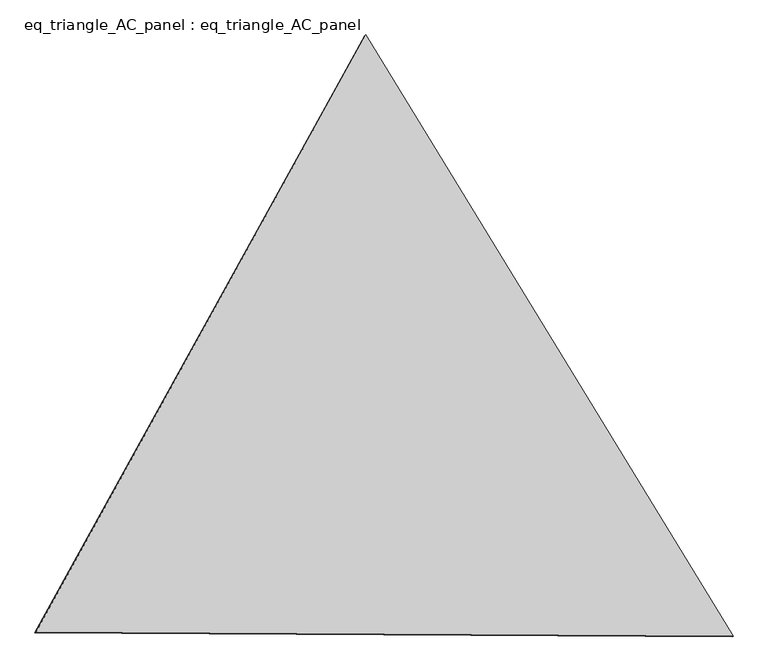
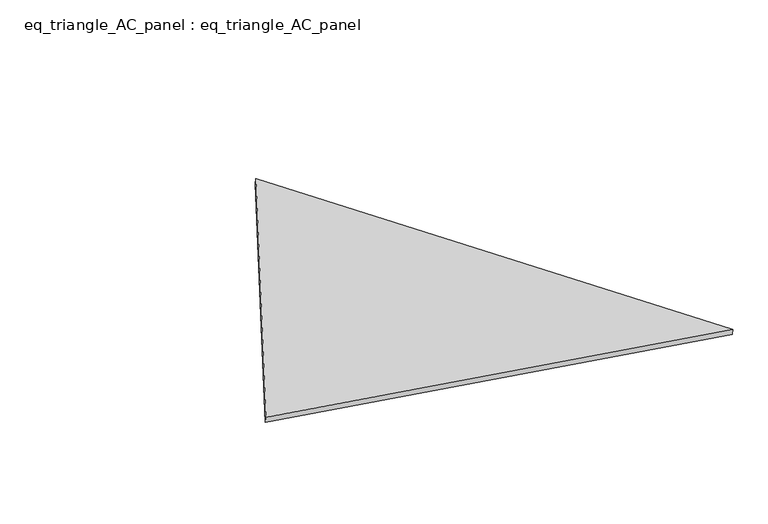
"""IFC4 building model written with IfcOpenShell, lengths in millimetres: proxy geometry, eq_triangle_AC_panel : eq_triangle_AC_panel."""

from ifc_helpers import new_model, si_unit, frame, origin, place, context, project, spatial, polyline, outline, extrude, source, transform, mapped, element, save


def eq_triangle_ac_panel_eq_triangle_ac_panel_093dcabe(model_context):
    return source(origin(), model_context, "Body", "SweptSolid", [
        extrude(outline(polyline([(-2032.8142607, 1173.1688095), (2091.3006324, 1173.1688096), (-58.4863717, -2346.3376192), (-2032.8142607, 1173.1688095)])), frame((-6.3631761, 524.2531996, 46.6143561), z_axis=(0.14526328518058193, 0.08386570281802191, 0.9858321976225894), x_axis=(0.5211221369016635, -0.853471867183543, -0.004182147448466398)), (0.0, 0.0, 1.0), 43.8306294),
    ])


if __name__ == "__main__":
    model = new_model("IFC4")
    model_context = context("Model", 3, world=origin())
    ifc_project = project(units=[si_unit("LENGTHUNIT", "METRE", prefix="MILLI")], contexts=[model_context])
    site = spatial("IfcSite", under=ifc_project)
    building = spatial("IfcBuilding", under=site)
    placement = place(None, origin())
    eq_triangle_ac_panel_eq_triangle_ac_panel_shape = eq_triangle_ac_panel_eq_triangle_ac_panel_093dcabe(model_context)
    element("IfcBuildingElementProxy", 1, Name="eq_triangle_AC_panel : eq_triangle_AC_panel", ObjectType="eq_triangle_AC_panel : eq_triangle_AC_panel", at=placement, inside=building, context=model_context, shape_type="MappedRepresentation", body=[
        mapped(eq_triangle_ac_panel_eq_triangle_ac_panel_shape, transform((0.0, 0.0, 0.0), x_axis=(1.0, 0.0, 0.0), y_axis=(0.0, 1.0, 0.0), z_axis=(0.0, 0.0, 1.0))),
    ])
    save(model, "model.ifc")
